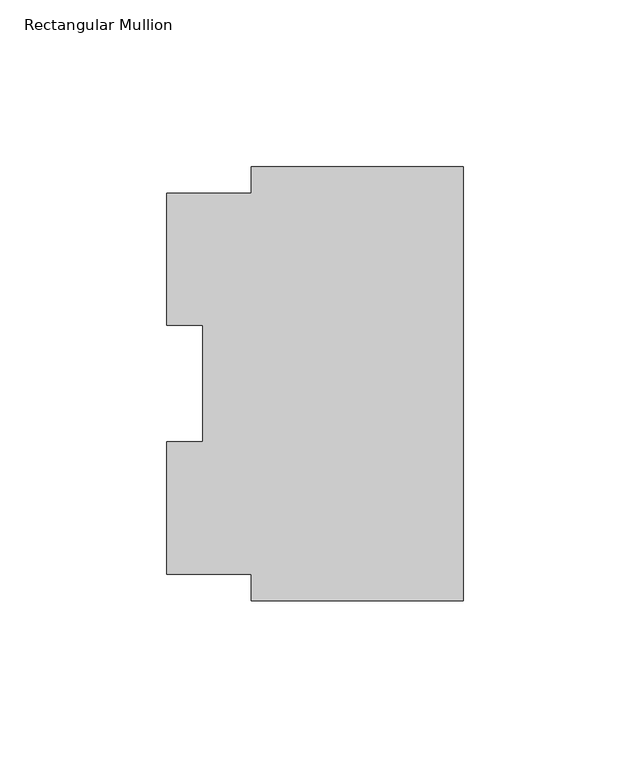
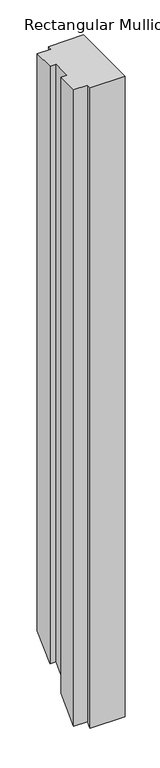
"""IFC4 building model written with IfcOpenShell, lengths in millimetres: member geometry, Rectangular Mullion."""

import ifcopenshell
import ifcopenshell.guid

model = None  # the IFC model being written
_history = None  # IfcOwnerHistory: only IFC2X3 demands one
_inside = {}  # id of a spatial element -> (the spatial element, [elements in it])
_under = {}  # id of a project, library or spatial element -> (it, [spatial elements below it])
_declared = {}  # id of a project -> (the project, [libraries it declares])
_typed = {}  # id of a type object -> (the type object, [elements of that type])
_made_of = {}  # id of a material, layer set ... -> (it, [elements and type objects made of it])


def new_model(schema):
    """Start an empty IFC model of exactly this schema.

    Asked for "IFC4X3", IfcOpenShell would pick the latest addendum, in which some entities
    have other attributes; the version numbers below select the first issue.
    IFC2X3 requires an IfcOwnerHistory on every rooted entity: one is made here for all.
    """
    global model, _history
    if schema == "IFC4X3":
        model = ifcopenshell.file(schema_version=(4, 3, 0, 0))
    else:
        model = ifcopenshell.file(schema=schema)
    _inside.clear()
    _under.clear()
    _declared.clear()
    _typed.clear()
    _made_of.clear()
    _history = None
    if model.schema == "IFC2X3":
        org = make("IfcOrganization", Name="unknown")
        user = make(
            "IfcPersonAndOrganization",
            ThePerson=make("IfcPerson", FamilyName="unknown"),
            TheOrganization=org,
        )
        app = make(
            "IfcApplication",
            ApplicationDeveloper=org,
            Version="unknown",
            ApplicationFullName="unknown",
            ApplicationIdentifier="unknown",
        )
        _history = make(
            "IfcOwnerHistory",
            OwningUser=user,
            OwningApplication=app,
            ChangeAction="ADDED",
            CreationDate=0,
        )
    return model


def make(cls, **values):
    """One entity of the class cls with the attributes given. An attribute that is None is left unset."""
    return model.create_entity(
        cls, **{name: value for name, value in values.items() if value is not None}
    )


def rooted(cls, **values):
    """An entity with a GlobalId (a new one), such as an element, a storey or a relation."""
    return make(cls, GlobalId=ifcopenshell.guid.new(), OwnerHistory=_history, **values)


def si_unit(unit_type, name, prefix=None):
    """IfcSIUnit, for example si_unit("LENGTHUNIT", "METRE", prefix="MILLI")."""
    return make("IfcSIUnit", UnitType=unit_type, Prefix=prefix, Name=name)


def assignment(units):
    """IfcUnitAssignment: the units of a project."""
    return None if units is None else make("IfcUnitAssignment", Units=units)


def point(xyz):
    """IfcCartesianPoint."""
    return None if xyz is None else make("IfcCartesianPoint", Coordinates=xyz)


def direction(xyz):
    """IfcDirection."""
    return None if xyz is None else make("IfcDirection", DirectionRatios=xyz)


def frame(location, z_axis=None, x_axis=None):
    """IfcAxis2Placement3D, a coordinate frame: its origin and axes. An axis left out is left unset."""
    return make(
        "IfcAxis2Placement3D",
        Location=point(location),
        Axis=direction(z_axis),
        RefDirection=direction(x_axis),
    )


def origin():
    """The frame at (0, 0, 0) with its axes left unset."""
    return frame((0.0, 0.0, 0.0))


def place(relative_to, where):
    """IfcLocalPlacement: puts the frame where relative to a parent placement (None: the world)."""
    return make(
        "IfcLocalPlacement", PlacementRelTo=relative_to, RelativePlacement=where
    )


def context(
    kind, dimensions, precision=None, world=None, true_north=None, identifier=None
):
    """IfcGeometricRepresentationContext, for example the 3D "Model" context."""
    return make(
        "IfcGeometricRepresentationContext",
        ContextIdentifier=identifier,
        ContextType=kind,
        CoordinateSpaceDimension=dimensions,
        Precision=precision,
        WorldCoordinateSystem=world,
        TrueNorth=true_north,
    )


def project(units=None, contexts=None):
    """IfcProject with its units and contexts."""
    return rooted(
        "IfcProject",
        Name="project",
        RepresentationContexts=contexts,
        UnitsInContext=assignment(units),
    )


def spatial(cls, under=None, at=None, **own):
    """A site, building, storey or space (cls), placed at a placement, below another one or the project."""
    s = rooted(cls, ObjectPlacement=at, **own)
    if under is not None:
        _under.setdefault(under.id(), (under, []))[1].append(s)
    return s


def faces_of(points, faces, orient=None, outer=None):
    """IfcFace entities. A face is a list of loops; a loop is a list of indices into points, from 0.

    orient and outer hold one flag for each loop. By default every Orientation is true, the
    first loop of a face is its IfcFaceOuterBound and the others are IfcFaceBound.
    """
    made = []
    for i, loops in enumerate(faces):
        bounds = []
        for j, loop in enumerate(loops):
            is_outer = j == 0 if outer is None else outer[i][j]
            bounds.append(
                make(
                    "IfcFaceOuterBound" if is_outer else "IfcFaceBound",
                    Bound=make("IfcPolyLoop", Polygon=[points[k] for k in loop]),
                    Orientation=True if orient is None else orient[i][j],
                )
            )
        made.append(make("IfcFace", Bounds=bounds))
    return made


def faceted_brep(points, faces, orient=None, outer=None, voids=None):
    """IfcFacetedBrep: a solid bounded by flat faces; with voids (closed shells), ...WithVoids."""
    shared = [point(p) for p in points]
    hull = make("IfcClosedShell", CfsFaces=faces_of(shared, faces, orient, outer))
    if voids is None:
        return make("IfcFacetedBrep", Outer=hull)
    return make(
        "IfcFacetedBrepWithVoids",
        Outer=hull,
        Voids=[
            make(cls, CfsFaces=faces_of(shared, fs, o, b)) for cls, fs, o, b in voids
        ],
    )


def shape(context_of_items, identifier, shape_type, items):
    """IfcShapeRepresentation: the items that make up one representation, for example the "Body"."""
    return make(
        "IfcShapeRepresentation",
        ContextOfItems=context_of_items,
        RepresentationIdentifier=identifier,
        RepresentationType=shape_type,
        Items=items,
    )


def source(mapping_origin, context_of_items, identifier, shape_type, items):
    """IfcRepresentationMap: a shape defined once, which mapped items show again and again."""
    return make(
        "IfcRepresentationMap",
        MappingOrigin=mapping_origin,
        MappedRepresentation=shape(context_of_items, identifier, shape_type, items),
    )


def transform(
    local_origin,
    x_axis=None,
    y_axis=None,
    z_axis=None,
    scale=None,
    scale2=None,
    scale3=None,
    uniform=True,
):
    """IfcCartesianTransformationOperator3D, or its non-uniform kind. x_axis, y_axis, z_axis: its Axis1, 2, 3."""
    if uniform:
        return make(
            "IfcCartesianTransformationOperator3D",
            Axis1=direction(x_axis),
            Axis2=direction(y_axis),
            LocalOrigin=point(local_origin),
            Scale=scale,
            Axis3=direction(z_axis),
        )
    return make(
        "IfcCartesianTransformationOperator3DnonUniform",
        Axis1=direction(x_axis),
        Axis2=direction(y_axis),
        LocalOrigin=point(local_origin),
        Scale=scale,
        Axis3=direction(z_axis),
        Scale2=scale2,
        Scale3=scale3,
    )


def mapped(mapping_source, mapping_target):
    """IfcMappedItem: shows the shape of a source again, moved by a transform."""
    return make(
        "IfcMappedItem", MappingSource=mapping_source, MappingTarget=mapping_target
    )


def made_of(thing, what):
    """Note that an element or type object is made of a material, layer set ...; save() writes the relation."""
    if what is not None:
        _made_of.setdefault(what.id(), (what, []))[1].append(thing)
    return thing


def element(
    cls,
    number,
    at=None,
    inside=None,
    cuts=None,
    type_object=None,
    material=None,
    context=None,
    identifier="Body",
    shape_type=None,
    held_by="IfcProductDefinitionShape",
    body=None,
    shapes=None,
    **own,
):
    """One element of the class cls, such as IfcWall. Its Tag is "e" and its number.

    at: its placement. inside: the storey or other place that contains it. cuts: it is an
    opening in that element (IfcRelVoidsElement). A single representation is given by context,
    identifier, shape_type and body (its items); several are given by shapes. held_by: the class
    of the entity that holds the representations. save() writes the other relations.
    """
    e = rooted(cls, Tag="e%d" % number, ObjectPlacement=at, **own)
    if body is not None:
        shapes = [shape(context, identifier, shape_type, body)]
    if shapes is not None:
        e.Representation = make(held_by, Representations=shapes)
    if inside is not None:
        _inside.setdefault(inside.id(), (inside, []))[1].append(e)
    if cuts is not None:
        rooted(
            "IfcRelVoidsElement", RelatingBuildingElement=cuts, RelatedOpeningElement=e
        )
    if type_object is not None:
        _typed.setdefault(type_object.id(), (type_object, []))[1].append(e)
    return made_of(e, material)


def aggregate(whole, parts):
    """IfcRelAggregates: a whole, such as a stair, and the parts it consists of."""
    return rooted("IfcRelAggregates", RelatingObject=whole, RelatedObjects=parts)


def save(model, path):
    """Write the relations noted so far, then the file.

    IfcRelAggregates (storeys below a building ...), IfcRelContainedInSpatialStructure (elements
    in a storey), IfcRelDefinesByType, IfcRelAssociatesMaterial and IfcRelDeclares: one each for
    every whole, place, type object, material and project.
    """
    for whole, parts in _under.values():
        aggregate(whole, parts)
    for where, things in _inside.values():
        rooted(
            "IfcRelContainedInSpatialStructure",
            RelatedElements=things,
            RelatingStructure=where,
        )
    for kind, things in _typed.values():
        rooted("IfcRelDefinesByType", RelatedObjects=things, RelatingType=kind)
    for what, things in _made_of.values():
        rooted("IfcRelAssociatesMaterial", RelatedObjects=things, RelatingMaterial=what)
    for by, libraries in _declared.values():
        rooted("IfcRelDeclares", RelatingContext=by, RelatedDefinitions=libraries)
    model.write(path)


def rectangular_mullion_68e61a6f(model_context):
    return source(origin(), model_context, "Body", "Brep", [
        faceted_brep([(0.0, 122.208925, 0.0), (-63.5, 122.208925, 0.0), (-63.5, 114.271425, 0.0), (-88.9, 114.271425, 0.0), (-88.9, 74.596625, 0.0), (-78.0415, 74.596625, 0.0), (-78.0415, 39.646225, 0.0), (-88.9, 39.646225, 0.0), (-88.9, -0.028575, 0.0), (-63.5, -0.028575, 0.0), (-63.5, -7.966075, 0.0), (0.0, -7.966075, 0.0), (0.0, 122.208925, -1096.991075), (-63.5, 122.208925, -1096.991075), (-63.5, 114.271425, -1104.928575), (-88.9, 114.271425, -1104.928575), (-88.9, 74.596625, -1144.603375), (-78.0415, 74.596625, -1144.603375), (-78.0415, 39.646225, -1179.553775), (-88.9, 39.646225, -1179.553775), (-88.9, -0.028575, -1219.228575), (-63.5, -0.028575, -1219.228575), (-63.5, -7.966075, -1227.166075), (0.0, -7.966075, -1227.166075)], [[[0, 1, 2, 3, 4, 5, 6, 7, 8, 9, 10, 11]], [[1, 0, 12, 13]], [[2, 1, 13, 14]], [[3, 2, 14, 15]], [[4, 3, 15, 16]], [[5, 4, 16, 17]], [[6, 5, 17, 18]], [[7, 6, 18, 19]], [[8, 7, 19, 20]], [[9, 8, 20, 21]], [[10, 9, 21, 22]], [[11, 10, 22, 23]], [[0, 11, 23, 12]], [[12, 23, 22, 21, 20, 19, 18, 17, 16, 15, 14, 13]]]),
    ])


if __name__ == "__main__":
    model = new_model("IFC4")
    model_context = context("Model", 3, world=origin())
    ifc_project = project(units=[si_unit("LENGTHUNIT", "METRE", prefix="MILLI")], contexts=[model_context])
    site = spatial("IfcSite", under=ifc_project)
    building = spatial("IfcBuilding", under=site)
    placement = place(None, origin())
    rectangular_mullion_shape = rectangular_mullion_68e61a6f(model_context)
    element("IfcMember", 1, ObjectType="Rectangular Mullion", at=placement, inside=building, context=model_context, shape_type="MappedRepresentation", body=[
        mapped(rectangular_mullion_shape, transform((0.0, 0.0, 0.0), x_axis=(1.0, 0.0, 0.0), y_axis=(0.0, 1.0, 0.0), z_axis=(0.0, 0.0, 1.0))),
    ])
    save(model, "model.ifc")
